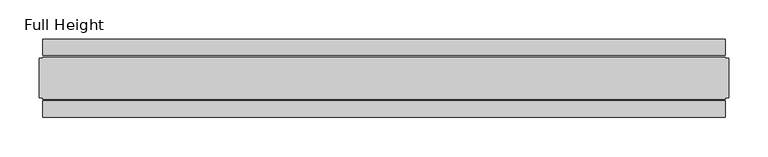
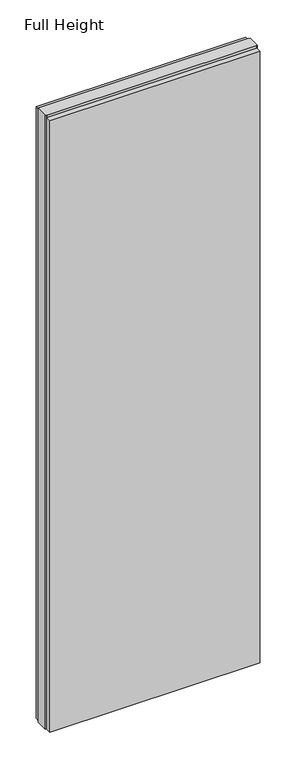
"""IFC4 building model written with IfcOpenShell, lengths in millimetres: plate geometry, Full Height."""

from ifc_helpers import new_model, si_unit, origin, origin_with_axes, place, context, project, spatial, polyline, outline, extrude, source, transform, mapped, element, save


def full_height_70066711(model_context):
    return source(origin(), model_context, "Body", "SweptSolid", [
        extrude(outline(polyline([(434.04155, -28.956), (434.04155, -49.53), (-434.04155, -49.53), (-434.04155, -28.956), (434.04155, -28.956)])), origin_with_axes(), (0.0, 0.0, 1.0), 2679.192),
        extrude(outline(polyline([(434.04155, 28.956), (-434.04155, 28.956), (-434.04155, 49.53), (434.04155, 49.53), (434.04155, 28.956)])), origin_with_axes(), (0.0, 0.0, 1.0), 2679.192),
        extrude(outline(polyline([(434.04155, 25.146), (438.61355, 25.146), (438.61355, -25.146), (434.04155, -25.146), (434.04155, -26.67), (-434.04155, -26.67), (-434.04155, -25.146), (-438.61355, -25.146), (-438.61355, 25.146), (-434.04155, 25.146), (-434.04155, 26.67), (434.04155, 26.67), (434.04155, 25.146)])), origin_with_axes(), (0.0, 0.0, 1.0), 2688.336),
    ])


if __name__ == "__main__":
    model = new_model("IFC4")
    model_context = context("Model", 3, world=origin())
    ifc_project = project(units=[si_unit("LENGTHUNIT", "METRE", prefix="MILLI")], contexts=[model_context])
    site = spatial("IfcSite", under=ifc_project)
    building = spatial("IfcBuilding", under=site)
    placement = place(None, origin())
    full_height_shape = full_height_70066711(model_context)
    element("IfcPlate", 1, ObjectType="Full Height", at=placement, inside=building, context=model_context, shape_type="MappedRepresentation", body=[
        mapped(full_height_shape, transform((0.0, 0.0, 0.0), x_axis=(1.0, 0.0, 0.0), y_axis=(0.0, 1.0, 0.0), z_axis=(0.0, 0.0, 1.0))),
    ])
    save(model, "model.ifc")
